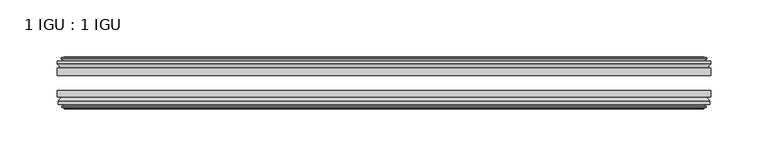
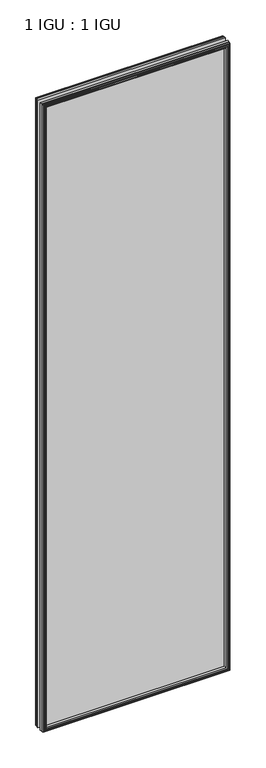
"""IFC4 building model written with IfcOpenShell, lengths in millimetres: plate geometry, 1 IGU : 1 IGU."""

from ifc_helpers import new_model, si_unit, frame, origin, place, context, project, spatial, polyline, outline, extrude, faceted_brep, source, transform, mapped, element, save


def plate_1_igu_1_igu_11cff7e3(model_context):
    return source(origin(), model_context, "Body", "SolidModel", [
        extrude(outline(polyline([(285.75, -19.5460937), (285.75, -25.8960938), (-285.75, -25.8960938), (-285.75, -19.5460937), (285.75, -19.5460937)])), frame((0.0, 0.0, -12.7), z_axis=(0.0, 0.0, 1.0), x_axis=(1.0, 0.0, 0.0)), (0.0, 0.0, 1.0), 2019.3),
        extrude(outline(polyline([(-285.75, -44.9460938), (-285.75, -38.9186737), (285.75, -38.9186737), (285.75, -44.9460938), (-285.75, -44.9460938)])), frame((0.0, 0.0, -12.7), z_axis=(0.0, 0.0, 1.0), x_axis=(1.0, 0.0, 0.0)), (0.0, 0.0, 1.0), 2019.3),
        faceted_brep([(-280.162, -53.6762907, 2001.012), (-280.543, -51.2960937, 2001.393), (-280.543, -51.2960937, -7.493), (-280.162, -53.6762907, -7.112), (-281.5775291, -53.2163575, 2002.4275291), (-281.5775291, -53.2163575, -8.5275291), (-281.5775291, -54.0175717, 2002.4275291), (-281.5775291, -54.0175717, -8.5275291), (-279.4, -54.7250937, 2000.25), (-279.4, -54.7250937, -6.35), (-277.2224709, -54.0175717, 1998.0724709), (-277.2224709, -54.0175717, -4.1724709), (-277.2224709, -53.2163575, 1998.0724709), (-277.2224709, -53.2163575, -4.1724709), (-278.638, -53.6762907, 1999.488), (-278.638, -53.6762907, -5.588), (-278.257, -51.2960937, 1999.107), (-278.257, -51.2960937, -5.207), (-271.3322819, -44.9460937, 1992.1822819), (-273.05, -51.2960937, 1993.9), (-273.05, -51.2960937, 0.0), (-271.3322819, -44.9460937, 1.7177181), (-284.988, -48.3496937, 2005.838), (-282.1536578, -44.9460937, 2003.0036578), (-282.1536578, -44.9460937, -9.1036578), (-284.988, -48.3496937, -11.938), (-284.988, -51.2960937, 2005.838), (-284.988, -51.2960937, -11.938), (280.543, -51.2960938, -7.493), (280.162, -53.6762907, -7.112), (281.5775291, -53.2163575, -8.5275291), (281.5775291, -54.0175717, -8.5275291), (279.4, -54.7250937, -6.35), (277.2224709, -54.0175717, -4.1724709), (277.2224709, -53.2163575, -4.1724709), (278.638, -53.6762907, -5.588), (278.257, -51.2960937, -5.207), (273.05, -51.2960937, 0.0), (271.3322819, -44.9460937, 1.7177181), (282.1536578, -44.9460937, -9.1036578), (284.988, -48.3496937, -11.938), (284.988, -51.2960938, -11.938), (280.543, -51.2960938, 2001.393), (280.162, -53.6762907, 2001.012), (281.5775291, -53.2163575, 2002.4275291), (281.5775291, -54.0175717, 2002.4275291), (279.4, -54.7250937, 2000.25), (277.2224709, -54.0175717, 1998.0724709), (277.2224709, -53.2163575, 1998.0724709), (278.638, -53.6762907, 1999.488), (278.257, -51.2960937, 1999.107), (273.05, -51.2960937, 1993.9), (271.3322819, -44.9460937, 1992.1822819), (282.1536578, -44.9460937, 2003.0036578), (284.988, -48.3496937, 2005.838), (284.988, -51.2960938, 2005.838)], [[[0, 1, 2, 3]], [[4, 0, 3, 5]], [[6, 4, 5, 7]], [[8, 6, 7, 9]], [[10, 8, 9, 11]], [[12, 10, 11, 13]], [[14, 12, 13, 15]], [[16, 14, 15, 17]], [[18, 19, 20, 21]], [[22, 23, 24, 25]], [[26, 22, 25, 27]], [[3, 2, 28, 29]], [[5, 3, 29, 30]], [[7, 5, 30, 31]], [[9, 7, 31, 32]], [[11, 9, 32, 33]], [[13, 11, 33, 34]], [[15, 13, 34, 35]], [[17, 15, 35, 36]], [[21, 20, 37, 38]], [[25, 24, 39, 40]], [[27, 25, 40, 41]], [[29, 28, 42, 43]], [[30, 29, 43, 44]], [[31, 30, 44, 45]], [[32, 31, 45, 46]], [[33, 32, 46, 47]], [[34, 33, 47, 48]], [[35, 34, 48, 49]], [[36, 35, 49, 50]], [[38, 37, 51, 52]], [[40, 39, 53, 54]], [[41, 40, 54, 55]], [[27, 41, 55, 26], [1, 42, 28, 2]], [[43, 42, 1, 0]], [[44, 43, 0, 4]], [[45, 44, 4, 6]], [[46, 45, 6, 8]], [[47, 46, 8, 10]], [[48, 47, 10, 12]], [[49, 48, 12, 14]], [[50, 49, 14, 16]], [[17, 36, 50, 16], [19, 51, 37, 20]], [[52, 51, 19, 18]], [[23, 53, 39, 24], [21, 38, 52, 18]], [[54, 53, 23, 22]], [[55, 54, 22, 26]]]),
        faceted_brep([(-282.6743578, -19.5460937, 2003.5243578), (-285.5087, -16.1424937, 2006.3587), (-285.5087, -16.1424937, -12.4587), (-282.6743578, -19.5460937, -9.6243578), (-273.5707, -13.1960937, 1994.4207), (-271.8529819, -19.5460937, 1992.7029819), (-271.8529819, -19.5460937, 1.1970181), (-273.5707, -13.1960937, -0.5207), (-279.1587, -10.8158968, 2000.0087), (-278.7777, -13.1960937, 1999.6277), (-278.7777, -13.1960937, -5.7277), (-279.1587, -10.8158968, -6.1087), (-277.7431709, -11.27583, 1998.5931709), (-277.7431709, -11.27583, -4.6931709), (-277.7431709, -10.4746158, 1998.5931709), (-277.7431709, -10.4746158, -4.6931709), (-279.9207, -9.7670937, 2000.7707), (-279.9207, -9.7670937, -6.8707), (-282.0982291, -10.4746158, 2002.9482291), (-282.0982291, -10.4746158, -9.0482291), (-282.0982291, -11.27583, 2002.9482291), (-282.0982291, -11.27583, -9.0482291), (-280.6827, -10.8158968, 2001.5327), (-280.6827, -10.8158968, -7.6327), (-281.0637, -13.1960937, 2001.9137), (-281.0637, -13.1960937, -8.0137), (-285.5087, -13.1960937, 2006.3587), (-285.5087, -13.1960937, -12.4587), (285.5087, -16.1424937, -12.4587), (282.6743578, -19.5460937, -9.6243578), (271.8529819, -19.5460937, 1.1970181), (273.5707, -13.1960937, -0.5207), (278.7777, -13.1960937, -5.7277), (279.1587, -10.8158968, -6.1087), (277.7431709, -11.27583, -4.6931709), (277.7431709, -10.4746158, -4.6931709), (279.9207, -9.7670937, -6.8707), (282.0982291, -10.4746158, -9.0482291), (282.0982291, -11.27583, -9.0482291), (280.6827, -10.8158968, -7.6327), (281.0637, -13.1960937, -8.0137), (285.5087, -13.1960937, -12.4587), (285.5087, -16.1424937, 2006.3587), (282.6743578, -19.5460937, 2003.5243578), (271.8529819, -19.5460937, 1992.7029819), (273.5707, -13.1960937, 1994.4207), (278.7777, -13.1960937, 1999.6277), (279.1587, -10.8158968, 2000.0087), (277.7431709, -11.27583, 1998.5931709), (277.7431709, -10.4746158, 1998.5931709), (279.9207, -9.7670937, 2000.7707), (282.0982291, -10.4746158, 2002.9482291), (282.0982291, -11.27583, 2002.9482291), (280.6827, -10.8158968, 2001.5327), (281.0637, -13.1960937, 2001.9137), (285.5087, -13.1960937, 2006.3587)], [[[0, 1, 2, 3]], [[4, 5, 6, 7]], [[8, 9, 10, 11]], [[12, 8, 11, 13]], [[14, 12, 13, 15]], [[16, 14, 15, 17]], [[18, 16, 17, 19]], [[20, 18, 19, 21]], [[22, 20, 21, 23]], [[24, 22, 23, 25]], [[1, 26, 27, 2]], [[3, 2, 28, 29]], [[7, 6, 30, 31]], [[11, 10, 32, 33]], [[13, 11, 33, 34]], [[15, 13, 34, 35]], [[17, 15, 35, 36]], [[19, 17, 36, 37]], [[21, 19, 37, 38]], [[23, 21, 38, 39]], [[25, 23, 39, 40]], [[2, 27, 41, 28]], [[29, 28, 42, 43]], [[31, 30, 44, 45]], [[33, 32, 46, 47]], [[34, 33, 47, 48]], [[35, 34, 48, 49]], [[36, 35, 49, 50]], [[37, 36, 50, 51]], [[38, 37, 51, 52]], [[39, 38, 52, 53]], [[40, 39, 53, 54]], [[28, 41, 55, 42]], [[43, 42, 1, 0]], [[3, 29, 43, 0], [5, 44, 30, 6]], [[45, 44, 5, 4]], [[9, 46, 32, 10], [7, 31, 45, 4]], [[47, 46, 9, 8]], [[48, 47, 8, 12]], [[49, 48, 12, 14]], [[50, 49, 14, 16]], [[51, 50, 16, 18]], [[52, 51, 18, 20]], [[53, 52, 20, 22]], [[54, 53, 22, 24]], [[26, 55, 41, 27], [25, 40, 54, 24]], [[42, 55, 26, 1]]]),
    ])


if __name__ == "__main__":
    model = new_model("IFC4")
    model_context = context("Model", 3, world=origin())
    ifc_project = project(units=[si_unit("LENGTHUNIT", "METRE", prefix="MILLI")], contexts=[model_context])
    site = spatial("IfcSite", under=ifc_project)
    building = spatial("IfcBuilding", under=site)
    placement = place(None, origin())
    plate_1_igu_1_igu_shape = plate_1_igu_1_igu_11cff7e3(model_context)
    element("IfcPlate", 1, ObjectType="1 IGU : 1 IGU", at=placement, inside=building, context=model_context, shape_type="MappedRepresentation", body=[
        mapped(plate_1_igu_1_igu_shape, transform((0.0, 0.0, 0.0), x_axis=(1.0, 0.0, 0.0), y_axis=(0.0, 1.0, 0.0), z_axis=(0.0, 0.0, 1.0))),
    ])
    save(model, "model.ifc")
